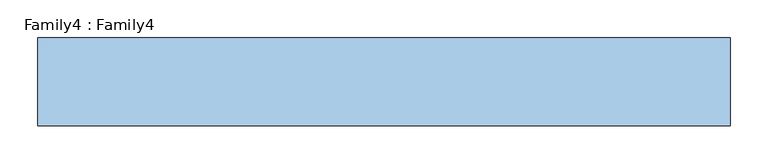
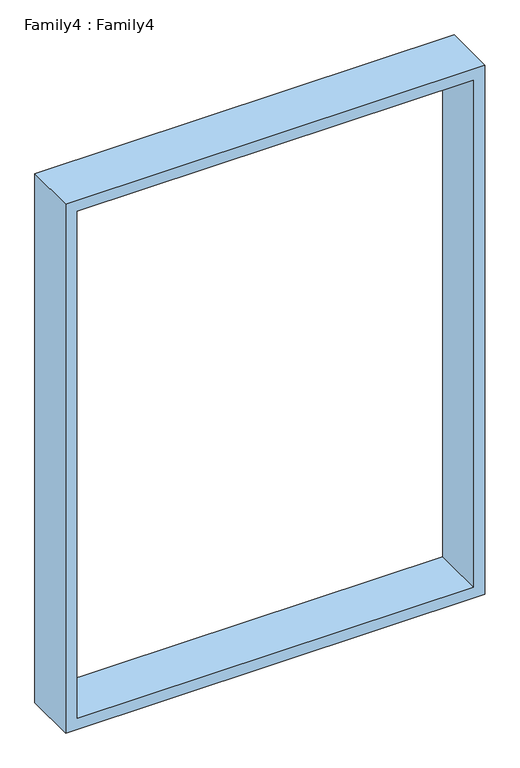
"""IFC4 building model written with IfcOpenShell, lengths in millimetres: window geometry, Family4 : Family4."""

from ifc_helpers import new_model, si_unit, frame, origin, place, context, project, spatial, polyline, outline, extrude, source, transform, mapped, element, save


def family4_family4_2d725460(model_context):
    return source(origin(), model_context, "Body", "SweptSolid", [
        extrude(outline(polyline([(2133.6, -457.2), (914.4, -457.2), (914.4, 457.2), (2133.6, 457.2), (2133.6, -457.2)]), holes=[polyline([(2108.2, -431.8), (2108.2, 431.8), (939.8, 431.8), (939.8, -431.8), (2108.2, -431.8)])]), frame((0.0, -32.54375, 0.0), z_axis=(0.0, 1.0, 0.0), x_axis=(0.0, 0.0, 1.0)), (0.0, 0.0, 1.0), 115.8875),
    ])


if __name__ == "__main__":
    model = new_model("IFC4")
    model_context = context("Model", 3, world=origin())
    ifc_project = project(units=[si_unit("LENGTHUNIT", "METRE", prefix="MILLI")], contexts=[model_context])
    site = spatial("IfcSite", under=ifc_project)
    building = spatial("IfcBuilding", under=site)
    placement = place(None, origin())
    family4_family4_shape = family4_family4_2d725460(model_context)
    element("IfcWindow", 1, ObjectType="Family4 : Family4", at=placement, inside=building, context=model_context, shape_type="MappedRepresentation", body=[
        mapped(family4_family4_shape, transform((0.0, 0.0, 0.0), x_axis=(1.0, 0.0, 0.0), y_axis=(0.0, 1.0, 0.0), z_axis=(0.0, 0.0, 1.0))),
    ])
    save(model, "model.ifc")
